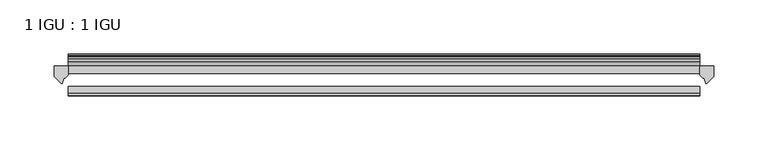
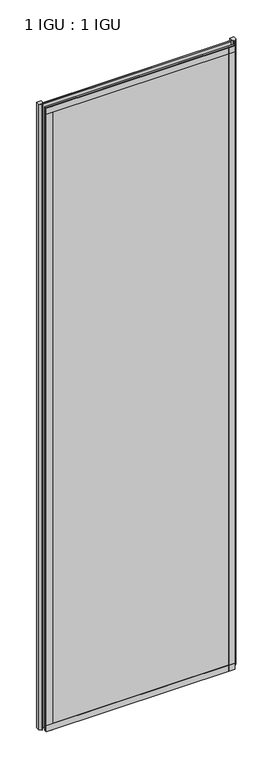
"""IFC4 building model written with IfcOpenShell, lengths in millimetres: plate geometry, 1 IGU : 1 IGU."""

from ifc_helpers import new_model, si_unit, point, frame, frame_2d, origin, place, context, project, spatial, polyline, circle_curve, trimmed, segment, composite_curve, outline, extrude, source, transform, mapped, element, save


def plate_1_igu_1_igu_0e7c42ee(model_context):
    return source(origin(), model_context, "Body", "SweptSolid", [
        extrude(outline(polyline([(292.1, -11.6085937), (292.1, -18.8576359), (-292.1, -18.8576359), (-292.1, -11.6085937), (292.1, -11.6085937)])), frame((0.0, 0.0, -19.05), z_axis=(0.0, 0.0, 1.0), x_axis=(1.0, 0.0, 0.0)), (0.0, 0.0, 1.0), 2038.3500001),
        extrude(outline(polyline([(-292.1, -30.7093937), (292.1, -30.7093937), (292.1, -37.0085937), (-292.1, -37.0085937), (-292.1, -30.7093937)])), frame((0.0, 0.0, -19.05), z_axis=(0.0, 0.0, 1.0), x_axis=(1.0, 0.0, 0.0)), (0.0, 0.0, 1.0), 2038.3500001),
        extrude(outline(composite_curve([segment(polyline([(305.1779091, -11.6101465), (304.8, -21.3502133), (298.8619467, -27.6095865)]), True, "CONTINUOUS"), segment(trimmed(circle_curve(frame_2d((298.1891407, -27.2518492)), 0.762), [point((298.8619467, -27.6095865))], [point((297.4604364, -27.4746364))], False, "CARTESIAN"), True, "CONTINUOUS"), segment(polyline([(297.4604364, -27.4746364), (296.1986019, -23.3488397)]), True, "CONTINUOUS"), segment(trimmed(circle_curve(frame_2d((298.380559, -16.3834724)), 7.2991286), [point((296.1986019, -23.3488397))], [point((292.1001786, -20.1028944))], False, "CARTESIAN"), True, "CONTINUOUS"), segment(polyline([(292.1001786, -20.1028944), (292.1001786, -12.664425)]), True, "CONTINUOUS"), segment(trimmed(circle_curve(frame_2d((298.3814331, -16.3827796)), 7.2993369), [point((292.1001786, -12.664425))], [point((292.858545, -11.6101465))], False, "CARTESIAN"), True, "CONTINUOUS"), segment(polyline([(292.858545, -11.6101465), (305.1779091, -11.6101465)]), True, "CONTINUOUS")], self_intersect=False)), frame((0.0, 0.0, -19.05), z_axis=(0.0, 0.0, 1.0), x_axis=(1.0, 0.0, 0.0)), (0.0, 0.0, 1.0), 2045.4874001),
        extrude(outline(composite_curve([segment(polyline([(-292.1, -11.610702), (-292.1, -20.1014769)]), True, "CONTINUOUS"), segment(trimmed(circle_curve(frame_2d((-298.3811943, -16.3829847)), 7.2993552), [point((-292.1, -20.1014769))], [point((-296.1989498, -23.3484994))], False, "CARTESIAN"), True, "CONTINUOUS"), segment(polyline([(-296.1989498, -23.3484994), (-297.4604364, -27.4746364)]), True, "CONTINUOUS"), segment(trimmed(circle_curve(frame_2d((-298.1891407, -27.2518492)), 0.762), [point((-297.4604364, -27.4746364))], [point((-298.8619467, -27.6095865))], False, "CARTESIAN"), True, "CONTINUOUS"), segment(polyline([(-298.8619467, -27.6095865), (-304.8, -21.3502133), (-305.1779091, -11.610702), (-292.1, -11.610702)]), True, "CONTINUOUS")], self_intersect=False)), frame((0.0, 0.0, -19.05), z_axis=(0.0, 0.0, 1.0), x_axis=(1.0, 0.0, 0.0)), (0.0, 0.0, 1.0), 2045.4874001),
        extrude(outline(polyline([(-11.6085937, -15.24), (-11.6085937, 2.8161565), (-0.5298609, 1.2591422), (-0.5298609, -0.6645794), (-5.258589, 0.0), (-5.258589, -4.826), (-1.575589, -4.826), (-1.575589, -7.874), (-5.258589, -7.874), (-5.258589, -13.208), (-3.099589, -13.208), (-3.099589, -15.24), (-11.6085937, -15.24)])), frame((-292.1, 0.0, 0.0), z_axis=(1.0, 0.0, 0.0), x_axis=(0.0, 1.0, 0.0)), (0.0, 0.0, 1.0), 584.2),
        extrude(outline(polyline([(-292.1, -39.2945937), (-292.1, -37.0085937), (292.1, -37.0085937), (292.1, -39.2945937), (-292.1, -39.2945937)])), frame((0.0, 0.0, -19.05), z_axis=(0.0, 0.0, 1.0), x_axis=(1.0, 0.0, 0.0)), (0.0, 0.0, 1.0), 19.05),
        extrude(outline(composite_curve([segment(trimmed(circle_curve(frame_2d((-6.5285937, 2011.721876)), 1.27), [point((-7.4547667, 2012.590843))], [point((-5.2585937, 2011.721876))], False, "CARTESIAN"), True, "CONTINUOUS"), segment(polyline([(-5.2585937, 2011.721876), (-5.2585937, 2008.5050001), (-3.3544944, 2005.8297863), (-5.2585937, 2005.484551), (-5.2585937, 2000.2500001), (-2.385052, 2000.2500001)]), True, "CONTINUOUS"), segment(trimmed(circle_curve(frame_2d((-3.2589487, 1999.7317718)), 1.016), [point((-2.385052, 2000.2500001))], [point((-3.236916, 1998.7160107))], False, "CARTESIAN"), True, "CONTINUOUS"), segment(trimmed(circle_curve(frame_2d((-2.5575611, 1967.3961025)), 31.3272753), [point((-3.236916, 1998.7160107))], [point((-11.6085937, 1997.3873843))], True, "CARTESIAN"), True, "CONTINUOUS"), segment(polyline([(-11.6085937, 1997.3873843), (-11.6085937, 2008.1635609), (-7.4547667, 2012.590843)]), True, "CONTINUOUS")], self_intersect=False)), frame((-292.1, 0.0, 0.0), z_axis=(1.0, 0.0, 0.0), x_axis=(0.0, 1.0, 0.0)), (0.0, 0.0, 1.0), 584.2),
        extrude(outline(polyline([(-292.1, -39.2945937), (-292.1, -37.0085937), (292.1, -37.0085937), (292.1, -39.2945937), (-292.1, -39.2945937)])), frame((0.0, 0.0, 2000.2500001), z_axis=(0.0, 0.0, 1.0), x_axis=(1.0, 0.0, 0.0)), (0.0, 0.0, 1.0), 19.05),
        extrude(outline(polyline([(273.05, -37.0085937), (292.1, -37.0085937), (292.1, -39.2945938), (273.05, -39.2945938), (273.05, -37.0085937)])), frame((0.0, 0.0, -19.05), z_axis=(0.0, 0.0, 1.0), x_axis=(1.0, 0.0, 0.0)), (0.0, 0.0, 1.0), 2038.3500001),
        extrude(outline(polyline([(-292.1, -39.2945937), (-292.1, -37.0085937), (-273.05, -37.0085937), (-273.05, -39.2945937), (-292.1, -39.2945937)])), frame((0.0, 0.0, -19.05), z_axis=(0.0, 0.0, 1.0), x_axis=(1.0, 0.0, 0.0)), (0.0, 0.0, 1.0), 2038.3500001),
    ])


if __name__ == "__main__":
    model = new_model("IFC4")
    model_context = context("Model", 3, world=origin())
    ifc_project = project(units=[si_unit("LENGTHUNIT", "METRE", prefix="MILLI")], contexts=[model_context])
    site = spatial("IfcSite", under=ifc_project)
    building = spatial("IfcBuilding", under=site)
    placement = place(None, origin())
    plate_1_igu_1_igu_shape = plate_1_igu_1_igu_0e7c42ee(model_context)
    element("IfcPlate", 1, ObjectType="1 IGU : 1 IGU", at=placement, inside=building, context=model_context, shape_type="MappedRepresentation", body=[
        mapped(plate_1_igu_1_igu_shape, transform((0.0, 0.0, 0.0), x_axis=(1.0, 0.0, 0.0), y_axis=(0.0, 1.0, 0.0), z_axis=(0.0, 0.0, 1.0))),
    ])
    save(model, "model.ifc")
